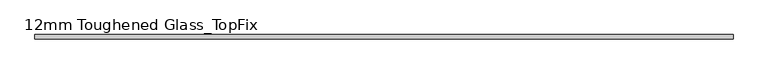
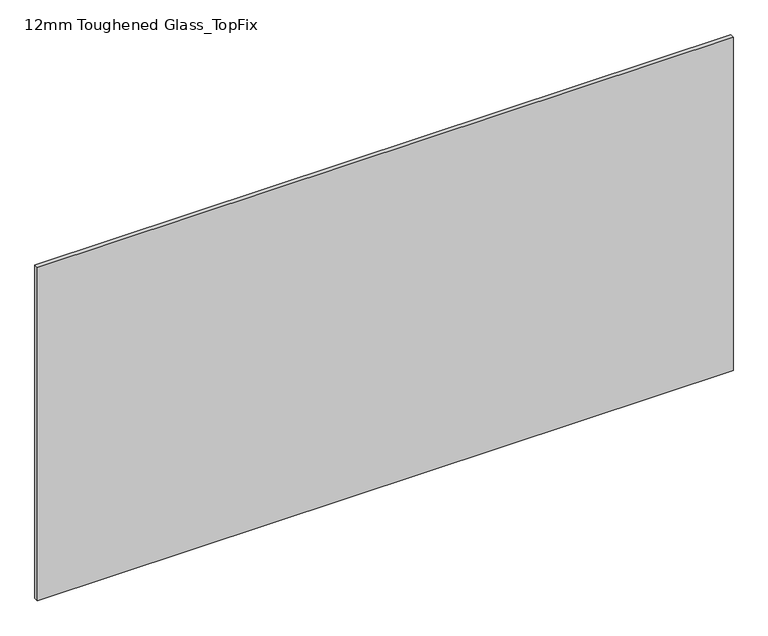
"""IFC4 building model written with IfcOpenShell, lengths in millimetres: plate geometry, 12mm Toughened Glass_TopFix."""

from ifc_helpers import new_model, si_unit, origin, origin_with_axes, place, context, project, spatial, polyline, outline, extrude, source, transform, mapped, element, save


def plate_12mm_toughened_glass_topfix_5d722a47(model_context):
    return source(origin(), model_context, "Body", "SweptSolid", [
        extrude(outline(polyline([(945.0000001, 6.0), (945.0000001, -6.0), (-945.0000001, -6.0), (-945.0000001, 6.0), (945.0000001, 6.0)])), origin_with_axes(), (0.0, 0.0, 1.0), 958.0),
    ])


if __name__ == "__main__":
    model = new_model("IFC4")
    model_context = context("Model", 3, world=origin())
    ifc_project = project(units=[si_unit("LENGTHUNIT", "METRE", prefix="MILLI")], contexts=[model_context])
    site = spatial("IfcSite", under=ifc_project)
    building = spatial("IfcBuilding", under=site)
    placement = place(None, origin())
    plate_12mm_toughened_glass_topfix_shape = plate_12mm_toughened_glass_topfix_5d722a47(model_context)
    element("IfcPlate", 1, ObjectType="12mm Toughened Glass_TopFix", at=placement, inside=building, context=model_context, shape_type="MappedRepresentation", body=[
        mapped(plate_12mm_toughened_glass_topfix_shape, transform((0.0, 0.0, 0.0), x_axis=(1.0, 0.0, 0.0), y_axis=(0.0, 1.0, 0.0), z_axis=(0.0, 0.0, 1.0))),
    ])
    save(model, "model.ifc")
